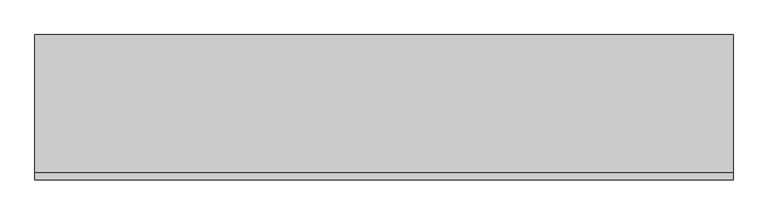
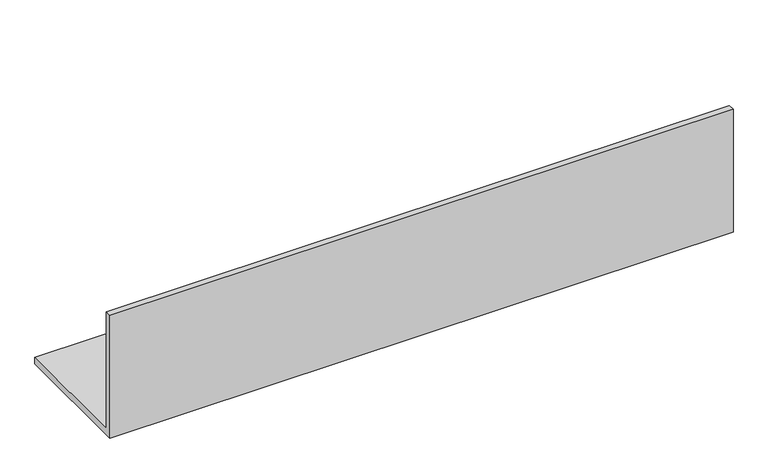
"""IFC4 building model written with IfcOpenShell, lengths in millimetres: furniture geometry."""

import ifcopenshell
import ifcopenshell.guid

model = None  # the IFC model being written
_history = None  # IfcOwnerHistory: only IFC2X3 demands one
_inside = {}  # id of a spatial element -> (the spatial element, [elements in it])
_under = {}  # id of a project, library or spatial element -> (it, [spatial elements below it])
_declared = {}  # id of a project -> (the project, [libraries it declares])
_typed = {}  # id of a type object -> (the type object, [elements of that type])
_made_of = {}  # id of a material, layer set ... -> (it, [elements and type objects made of it])


def new_model(schema):
    """Start an empty IFC model of exactly this schema.

    Asked for "IFC4X3", IfcOpenShell would pick the latest addendum, in which some entities
    have other attributes; the version numbers below select the first issue.
    IFC2X3 requires an IfcOwnerHistory on every rooted entity: one is made here for all.
    """
    global model, _history
    if schema == "IFC4X3":
        model = ifcopenshell.file(schema_version=(4, 3, 0, 0))
    else:
        model = ifcopenshell.file(schema=schema)
    _inside.clear()
    _under.clear()
    _declared.clear()
    _typed.clear()
    _made_of.clear()
    _history = None
    if model.schema == "IFC2X3":
        org = make("IfcOrganization", Name="unknown")
        user = make(
            "IfcPersonAndOrganization",
            ThePerson=make("IfcPerson", FamilyName="unknown"),
            TheOrganization=org,
        )
        app = make(
            "IfcApplication",
            ApplicationDeveloper=org,
            Version="unknown",
            ApplicationFullName="unknown",
            ApplicationIdentifier="unknown",
        )
        _history = make(
            "IfcOwnerHistory",
            OwningUser=user,
            OwningApplication=app,
            ChangeAction="ADDED",
            CreationDate=0,
        )
    return model


def make(cls, **values):
    """One entity of the class cls with the attributes given. An attribute that is None is left unset."""
    return model.create_entity(
        cls, **{name: value for name, value in values.items() if value is not None}
    )


def rooted(cls, **values):
    """An entity with a GlobalId (a new one), such as an element, a storey or a relation."""
    return make(cls, GlobalId=ifcopenshell.guid.new(), OwnerHistory=_history, **values)


def si_unit(unit_type, name, prefix=None):
    """IfcSIUnit, for example si_unit("LENGTHUNIT", "METRE", prefix="MILLI")."""
    return make("IfcSIUnit", UnitType=unit_type, Prefix=prefix, Name=name)


def assignment(units):
    """IfcUnitAssignment: the units of a project."""
    return None if units is None else make("IfcUnitAssignment", Units=units)


def point(xyz):
    """IfcCartesianPoint."""
    return None if xyz is None else make("IfcCartesianPoint", Coordinates=xyz)


def direction(xyz):
    """IfcDirection."""
    return None if xyz is None else make("IfcDirection", DirectionRatios=xyz)


def frame(location, z_axis=None, x_axis=None):
    """IfcAxis2Placement3D, a coordinate frame: its origin and axes. An axis left out is left unset."""
    return make(
        "IfcAxis2Placement3D",
        Location=point(location),
        Axis=direction(z_axis),
        RefDirection=direction(x_axis),
    )


def origin():
    """The frame at (0, 0, 0) with its axes left unset."""
    return frame((0.0, 0.0, 0.0))


def place(relative_to, where):
    """IfcLocalPlacement: puts the frame where relative to a parent placement (None: the world)."""
    return make(
        "IfcLocalPlacement", PlacementRelTo=relative_to, RelativePlacement=where
    )


def context(
    kind, dimensions, precision=None, world=None, true_north=None, identifier=None
):
    """IfcGeometricRepresentationContext, for example the 3D "Model" context."""
    return make(
        "IfcGeometricRepresentationContext",
        ContextIdentifier=identifier,
        ContextType=kind,
        CoordinateSpaceDimension=dimensions,
        Precision=precision,
        WorldCoordinateSystem=world,
        TrueNorth=true_north,
    )


def project(units=None, contexts=None):
    """IfcProject with its units and contexts."""
    return rooted(
        "IfcProject",
        Name="project",
        RepresentationContexts=contexts,
        UnitsInContext=assignment(units),
    )


def spatial(cls, under=None, at=None, **own):
    """A site, building, storey or space (cls), placed at a placement, below another one or the project."""
    s = rooted(cls, ObjectPlacement=at, **own)
    if under is not None:
        _under.setdefault(under.id(), (under, []))[1].append(s)
    return s


def polyline(points):
    """IfcPolyline through the points."""
    return make("IfcPolyline", Points=[point(p) for p in points])


def outline(outer, holes=None, kind="AREA"):
    """IfcArbitraryClosedProfileDef: a profile drawn as a closed curve; with holes, ...WithVoids."""
    if holes is None:
        return make("IfcArbitraryClosedProfileDef", ProfileType=kind, OuterCurve=outer)
    return make(
        "IfcArbitraryProfileDefWithVoids",
        ProfileType=kind,
        OuterCurve=outer,
        InnerCurves=holes,
    )


def extrude(swept, where, along, depth):
    """IfcExtrudedAreaSolid: the profile swept, set in the frame where, extruded along a direction by depth."""
    return make(
        "IfcExtrudedAreaSolid",
        SweptArea=swept,
        Position=where,
        ExtrudedDirection=direction(along),
        Depth=depth,
    )


def shape(context_of_items, identifier, shape_type, items):
    """IfcShapeRepresentation: the items that make up one representation, for example the "Body"."""
    return make(
        "IfcShapeRepresentation",
        ContextOfItems=context_of_items,
        RepresentationIdentifier=identifier,
        RepresentationType=shape_type,
        Items=items,
    )


def source(mapping_origin, context_of_items, identifier, shape_type, items):
    """IfcRepresentationMap: a shape defined once, which mapped items show again and again."""
    return make(
        "IfcRepresentationMap",
        MappingOrigin=mapping_origin,
        MappedRepresentation=shape(context_of_items, identifier, shape_type, items),
    )


def transform(
    local_origin,
    x_axis=None,
    y_axis=None,
    z_axis=None,
    scale=None,
    scale2=None,
    scale3=None,
    uniform=True,
):
    """IfcCartesianTransformationOperator3D, or its non-uniform kind. x_axis, y_axis, z_axis: its Axis1, 2, 3."""
    if uniform:
        return make(
            "IfcCartesianTransformationOperator3D",
            Axis1=direction(x_axis),
            Axis2=direction(y_axis),
            LocalOrigin=point(local_origin),
            Scale=scale,
            Axis3=direction(z_axis),
        )
    return make(
        "IfcCartesianTransformationOperator3DnonUniform",
        Axis1=direction(x_axis),
        Axis2=direction(y_axis),
        LocalOrigin=point(local_origin),
        Scale=scale,
        Axis3=direction(z_axis),
        Scale2=scale2,
        Scale3=scale3,
    )


def mapped(mapping_source, mapping_target):
    """IfcMappedItem: shows the shape of a source again, moved by a transform."""
    return make(
        "IfcMappedItem", MappingSource=mapping_source, MappingTarget=mapping_target
    )


def made_of(thing, what):
    """Note that an element or type object is made of a material, layer set ...; save() writes the relation."""
    if what is not None:
        _made_of.setdefault(what.id(), (what, []))[1].append(thing)
    return thing


def element(
    cls,
    number,
    at=None,
    inside=None,
    cuts=None,
    type_object=None,
    material=None,
    context=None,
    identifier="Body",
    shape_type=None,
    held_by="IfcProductDefinitionShape",
    body=None,
    shapes=None,
    **own,
):
    """One element of the class cls, such as IfcWall. Its Tag is "e" and its number.

    at: its placement. inside: the storey or other place that contains it. cuts: it is an
    opening in that element (IfcRelVoidsElement). A single representation is given by context,
    identifier, shape_type and body (its items); several are given by shapes. held_by: the class
    of the entity that holds the representations. save() writes the other relations.
    """
    e = rooted(cls, Tag="e%d" % number, ObjectPlacement=at, **own)
    if body is not None:
        shapes = [shape(context, identifier, shape_type, body)]
    if shapes is not None:
        e.Representation = make(held_by, Representations=shapes)
    if inside is not None:
        _inside.setdefault(inside.id(), (inside, []))[1].append(e)
    if cuts is not None:
        rooted(
            "IfcRelVoidsElement", RelatingBuildingElement=cuts, RelatedOpeningElement=e
        )
    if type_object is not None:
        _typed.setdefault(type_object.id(), (type_object, []))[1].append(e)
    return made_of(e, material)


def aggregate(whole, parts):
    """IfcRelAggregates: a whole, such as a stair, and the parts it consists of."""
    return rooted("IfcRelAggregates", RelatingObject=whole, RelatedObjects=parts)


def save(model, path):
    """Write the relations noted so far, then the file.

    IfcRelAggregates (storeys below a building ...), IfcRelContainedInSpatialStructure (elements
    in a storey), IfcRelDefinesByType, IfcRelAssociatesMaterial and IfcRelDeclares: one each for
    every whole, place, type object, material and project.
    """
    for whole, parts in _under.values():
        aggregate(whole, parts)
    for where, things in _inside.values():
        rooted(
            "IfcRelContainedInSpatialStructure",
            RelatedElements=things,
            RelatingStructure=where,
        )
    for kind, things in _typed.values():
        rooted("IfcRelDefinesByType", RelatedObjects=things, RelatingType=kind)
    for what, things in _made_of.values():
        rooted("IfcRelAssociatesMaterial", RelatedObjects=things, RelatingMaterial=what)
    for by, libraries in _declared.values():
        rooted("IfcRelDeclares", RelatingContext=by, RelatedDefinitions=libraries)
    model.write(path)


def furniture_bfbbfc41(model_context):
    return source(origin(), model_context, "Body", "SweptSolid", [
        extrude(outline(polyline([(-57.15, 1311.275), (-57.15, 1692.275), (-38.1, 1692.275), (-38.1, 1330.325), (323.85, 1330.325), (323.85, 1311.275), (-57.15, 1311.275)])), frame((0.0, 0.0, 0.0), z_axis=(1.0, 0.0, 0.0), x_axis=(0.0, 1.0, 0.0)), (0.0, 0.0, 1.0), 1828.8),
    ])


if __name__ == "__main__":
    model = new_model("IFC4")
    model_context = context("Model", 3, world=origin())
    ifc_project = project(units=[si_unit("LENGTHUNIT", "METRE", prefix="MILLI")], contexts=[model_context])
    site = spatial("IfcSite", under=ifc_project)
    building = spatial("IfcBuilding", under=site)
    placement = place(None, origin())
    furniture_shape = furniture_bfbbfc41(model_context)
    element("IfcFurniture", 1, at=placement, inside=building, context=model_context, shape_type="MappedRepresentation", body=[
        mapped(furniture_shape, transform((0.0, 0.0, 0.0), x_axis=(1.0, 0.0, 0.0), y_axis=(0.0, 1.0, 0.0), z_axis=(0.0, 0.0, 1.0))),
    ])
    save(model, "model.ifc")
